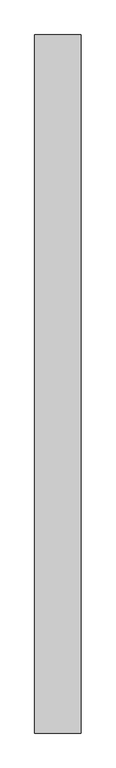
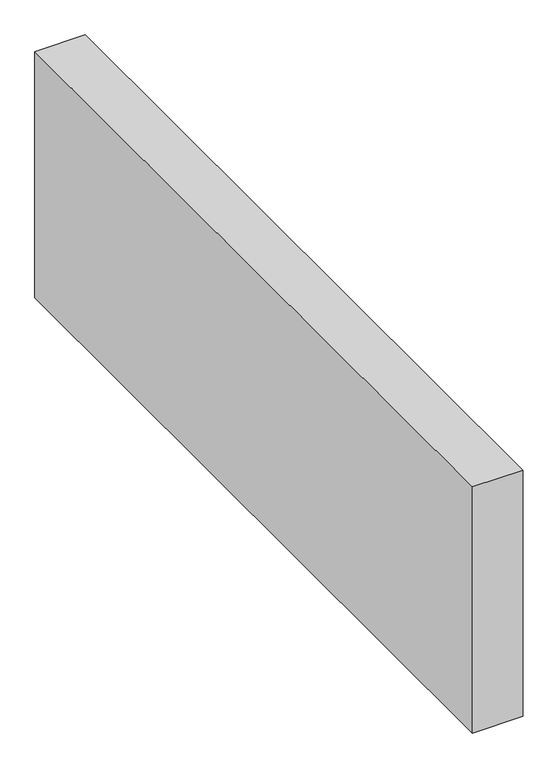
"""IFC4 building model written with IfcOpenShell, lengths in millimetres: proxy geometry."""

from ifc_helpers import new_model, si_unit, origin, origin_with_axes, place, context, project, spatial, polyline, outline, extrude, source, transform, mapped, element, save


def generic_models_49c9d049(model_context):
    return source(origin(), model_context, "Body", "SweptSolid", [
        extrude(outline(polyline([(150.0, 2263.0121545), (150.0, 0.0), (0.0, 0.0), (0.0, 2263.0121545), (150.0, 2263.0121545)])), origin_with_axes(), (0.0, 0.0, 1.0), 776.6553396),
    ])


if __name__ == "__main__":
    model = new_model("IFC4")
    model_context = context("Model", 3, world=origin())
    ifc_project = project(units=[si_unit("LENGTHUNIT", "METRE", prefix="MILLI")], contexts=[model_context])
    site = spatial("IfcSite", under=ifc_project)
    building = spatial("IfcBuilding", under=site)
    placement = place(None, origin())
    generic_models_shape = generic_models_49c9d049(model_context)
    element("IfcBuildingElementProxy", 1, Name="Generic Models", at=placement, inside=building, context=model_context, shape_type="MappedRepresentation", body=[
        mapped(generic_models_shape, transform((0.0, 0.0, 0.0), x_axis=(1.0, 0.0, 0.0), y_axis=(0.0, 1.0, 0.0), z_axis=(0.0, 0.0, 1.0))),
    ])
    save(model, "model.ifc")
